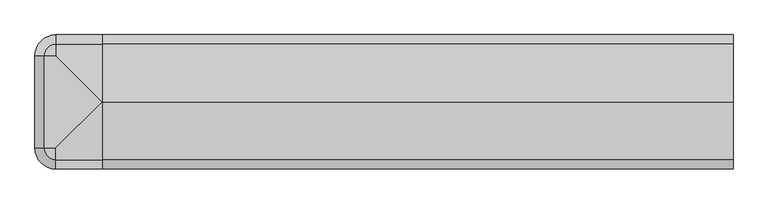
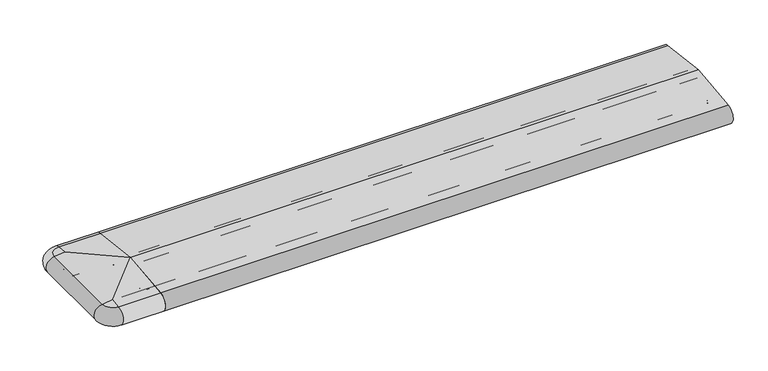
"""IFC4 building model written with IfcOpenShell, lengths in millimetres: proxy geometry."""

from ifc_helpers import new_model, si_unit, point, frame, frame_2d, origin, place, context, project, spatial, polyline, circle_curve, ellipse_curve, trimmed, segment, composite_curve, outline, extrude, source, transform, mapped, element, save
from ifc_brep_helpers import plane_surface, cylinder_surface, revolved_surface, advanced_brep


def generic_models_6e12fa00(model_context):
    return source(origin(), model_context, "Body", "SolidModel", [
        advanced_brep(
        [(-110.0, 28.0858073, 50.4091909), (-110.0, 26.5981483, 2.5074549), (-136.5981483, 0.0, 2.5074549), (-138.0858073, 0.0, 50.4091909), (-110.0, 25.7072001, 3.0071443), (-135.7072001, 0.0, 3.0071443), (-110.0, 23.6905989, 6.5), (-133.6905989, 0.0, 6.5), (-110.0, 21.9585481, 7.5), (-131.9585481, 0.0, 7.5), (0.0, 21.9585481, 7.5), (0.0, 5.4848276, 7.5), (-110.0, 5.4848276, 7.5), (-115.4848276, 0.0, 7.5), (-115.4848276, -220.0, 7.5), (-110.0, -225.4848276, 7.5), (0.0, -225.4848276, 7.5), (0.0, -241.9585481, 7.5), (-110.0, -241.9585481, 7.5), (-131.9585481, -220.0, 7.5), (-110.0, 3.7527767, 6.5), (-113.7527767, 0.0, 6.5), (-110.0, 0.0, 0.0), (-110.0, 0.0, 53.7462575), (0.0, 25.7072001, 3.0071443), (0.0, 26.5981483, 2.5074549), (0.0, 23.6905989, 6.5), (0.0, 3.7527767, 6.5), (0.0, 0.0, 0.0), (0.0, 28.0858073, 50.4091909), (0.0, -35.5, 0.0), (0.0, -110.0, 66.8161089), (0.0, -248.0858073, 50.4091909), (0.0, -246.5981483, 2.5074549), (0.0, -245.7072001, 3.0071443), (0.0, -243.6905989, 6.5), (0.0, -223.7527767, 6.5), (0.0, -220.0, 0.0), (0.0, -184.5, 0.0), (0.0, -183.5, 1.0), (0.0, -183.5, 7.0), (0.0, -181.5, 9.0), (0.0, -158.5, 9.0), (0.0, -156.5, 7.0), (0.0, -156.5, 1.0), (0.0, -155.5, 0.0), (0.0, -64.5, 0.0), (0.0, -63.5, 1.0), (0.0, -63.5, 7.0), (0.0, -61.5, 9.0), (0.0, -38.5, 9.0), (0.0, -36.5, 7.0), (0.0, -36.5, 1.0), (0.0, -202.220606, 23.1932995), (0.0, -190.220606, 23.1932995), (0.0, -162.5, 27.912776), (0.0, -150.5, 27.912776), (0.0, -117.9558517, 33.3783502), (0.0, -102.0441483, 33.3783502), (0.0, -69.5, 27.912776), (0.0, -57.5, 27.912776), (0.0, -29.779394, 23.1932995), (0.0, -17.779394, 23.1932995), (-110.0, -36.5, 1.0), (-110.0, -35.5, 0.0), (-110.0, -36.5, 7.0), (-110.0, -38.5, 9.0), (-110.0, -61.5, 9.0), (-110.0, -63.5, 7.0), (-110.0, -63.5, 1.0), (-110.0, -64.5, 0.0), (-110.0, -155.5, 0.0), (-110.0, -156.5, 1.0), (-110.0, -156.5, 7.0), (-110.0, -158.5, 9.0), (-110.0, -181.5, 9.0), (-110.0, -183.5, 7.0), (-110.0, -183.5, 1.0), (-110.0, -184.5, 0.0), (-110.0, -220.0, 0.0), (-110.0, -220.0, 53.7462575), (-110.0, -248.0858073, 50.4091909), (-110.0, -190.220606, 23.1932995), (-110.0, -202.220606, 23.1932995), (-110.0, -150.5, 27.912776), (-110.0, -162.5, 27.912776), (-110.0, -102.0441483, 33.3783502), (-110.0, -117.9558517, 33.3783502), (-110.0, -57.5, 27.912776), (-110.0, -69.5, 27.912776), (-110.0, -17.779394, 23.1932995), (-110.0, -29.779394, 23.1932995), (-138.0858073, -220.0, 50.4091909), (-110.0, -246.5981483, 2.5074549), (-110.0, -245.7072001, 3.0071443), (-110.0, -243.6905989, 6.5), (-110.0, -223.7527767, 6.5), (-135.7072001, -220.0, 3.0071443), (-136.5981483, -220.0, 2.5074549), (-133.6905989, -220.0, 6.5), (-113.7527767, -220.0, 6.5)],
        [
            (0, 1, circle_curve(frame((-110.0, 26.0, 26.5), z_axis=(-1.0, 0.0, 0.0), x_axis=(0.0, 0.08690863944627836, 0.9962162859487877)), 24.0)),
            (1, 2, circle_curve(frame((-110.0, 0.0, 2.5074549), z_axis=(0.0, 0.0, 1.0), x_axis=(-1.0, 0.0, 0.0)), 26.5981483)),
            (2, 3, circle_curve(frame((-136.0, 0.0, 26.5), z_axis=(0.0, 1.0, 0.0), x_axis=(-0.08690863944627836, 0.0, 0.9962162859487877)), 24.0)),
            (3, 0, circle_curve(frame((-110.0, 0.0, 50.4091909), z_axis=(0.0, 0.0, -1.0), x_axis=(-1.0, 0.0, 0.0)), 28.0858073)),
            (1, 4, circle_curve(frame((-110.0, 26.5732255, 3.5071443), z_axis=(-1.0000000000000002, 0.0, 0.0), x_axis=(0.0, 0.024922847684081085, -0.999689377588517)), 1.0)),
            (4, 5, circle_curve(frame((-110.0, 0.0, 3.0071443), z_axis=(0.0, 0.0, 1.0), x_axis=(-1.0, 0.0, 0.0)), 25.7072001)),
            (5, 2, circle_curve(frame((-136.5732255, 0.0, 3.5071443), z_axis=(0.0, 1.0000000000000002, 0.0), x_axis=(-0.024922847684081085, 0.0, -0.999689377588517)), 1.0)),
            (4, 6),
            (6, 7, circle_curve(frame((-110.0, 0.0, 6.5), z_axis=(0.0, 0.0, 1.0), x_axis=(-1.0, 0.0, 0.0)), 23.6905989)),
            (7, 5),
            (6, 8, circle_curve(frame((-110.0, 21.9585481, 5.5), z_axis=(1.0, 0.0, 0.0), x_axis=(0.0, 0.8660254037844379, 0.5000000000000012)), 2.0)),
            (8, 9, circle_curve(frame((-110.0, 0.0, 7.5), z_axis=(0.0, 0.0, 1.0), x_axis=(-1.0, 0.0, 0.0)), 21.9585481)),
            (9, 7, circle_curve(frame((-131.9585481, 0.0, 5.5), z_axis=(0.0, -1.0, 0.0), x_axis=(-0.8660254037844379, 0.0, 0.5000000000000012)), 2.0)),
            (8, 10),
            (10, 11),
            (11, 12),
            (12, 13, circle_curve(frame((-110.0, 0.0, 7.5), z_axis=(0.0, 0.0, 1.0), x_axis=(-1.0, 0.0, 0.0)), 5.4848276)),
            (13, 14),
            (14, 15, circle_curve(frame((-110.0, -220.0, 7.5), z_axis=(0.0, 0.0, 1.0), x_axis=(-1.0, 0.0, 0.0)), 5.4848276)),
            (15, 16),
            (16, 17),
            (17, 18),
            (18, 19, circle_curve(frame((-110.0, -220.0, 7.5), z_axis=(0.0, 0.0, -1.0), x_axis=(-1.0, 0.0, 0.0)), 21.9585481)),
            (19, 9),
            (12, 20, circle_curve(frame((-110.0, 5.4848276, 5.5), z_axis=(1.0, 0.0, 0.0), x_axis=(0.0, 0.0, 1.0)), 2.0)),
            (20, 21, circle_curve(frame((-110.0, 0.0, 6.5), z_axis=(0.0, 0.0, 1.0), x_axis=(-1.0, 0.0, 0.0)), 3.7527767)),
            (21, 13, circle_curve(frame((-115.4848276, 0.0, 5.5), z_axis=(0.0, -1.0, 0.0), x_axis=(0.0, 0.0, 1.0)), 2.0)),
            (20, 22),
            (22, 21),
            (3, 23),
            (23, 0),
            (24, 4),
            (1, 25),
            (25, 24, circle_curve(frame((0.0, 26.5732255, 3.5071443), z_axis=(-1.0, 0.0, 0.0), x_axis=(0.0, 0.024922847684081085, -0.999689377588517)), 1.0)),
            (26, 6),
            (24, 26),
            (26, 10, circle_curve(frame((0.0, 21.9585481, 5.5), z_axis=(1.0, 0.0, 0.0), x_axis=(0.0, 0.8660254037844379, 0.5000000000000012)), 2.0)),
            (27, 20),
            (11, 27, circle_curve(frame((0.0, 5.4848276, 5.5), z_axis=(1.0, 0.0, 0.0), x_axis=(0.0, 0.0, 1.0)), 2.0)),
            (28, 22),
            (27, 28),
            (0, 29),
            (29, 25, circle_curve(frame((0.0, 26.0, 26.5), z_axis=(-1.0, 0.0, 0.0), x_axis=(0.0, 0.08690863944627836, 0.9962162859487877)), 24.0)),
            (30, 28),
            (29, 31),
            (31, 32),
            (32, 33, circle_curve(frame((0.0, -246.0, 26.5), z_axis=(1.0, 0.0, 0.0), x_axis=(0.0, -0.08690863944627836, 0.9962162859487877)), 24.0)),
            (33, 34, circle_curve(frame((0.0, -246.5732255, 3.5071443), z_axis=(1.0, 0.0, 0.0), x_axis=(0.0, -0.024922847684081085, -0.999689377588517)), 1.0)),
            (34, 35),
            (35, 17, circle_curve(frame((0.0, -241.9585481, 5.5), z_axis=(-1.0, 0.0, 0.0), x_axis=(0.0, -0.8660254037844379, 0.5000000000000012)), 2.0)),
            (16, 36, circle_curve(frame((0.0, -225.4848276, 5.5), z_axis=(-1.0, 0.0, 0.0), x_axis=(0.0, 0.0, 1.0)), 2.0)),
            (36, 37),
            (37, 38),
            (38, 39, circle_curve(frame((0.0, -184.5, 1.0), z_axis=(1.0, 0.0, 0.0), x_axis=(0.0, 0.0, -1.0)), 1.0)),
            (39, 40),
            (40, 41, circle_curve(frame((0.0, -181.5, 7.0), z_axis=(-1.0, 0.0, 0.0), x_axis=(0.0, -1.0, 0.0)), 2.0)),
            (41, 42),
            (42, 43, circle_curve(frame((0.0, -158.5, 7.0), z_axis=(-1.0, 0.0, 0.0), x_axis=(0.0, 0.0, 1.0)), 2.0)),
            (43, 44),
            (44, 45, circle_curve(frame((0.0, -155.5, 1.0), z_axis=(1.0, 0.0, 0.0), x_axis=(0.0, -1.0, 0.0)), 1.0)),
            (45, 46),
            (46, 47, circle_curve(frame((0.0, -64.5, 1.0), z_axis=(1.0, 0.0, 0.0), x_axis=(0.0, 1.0, 0.0)), 1.0)),
            (47, 48),
            (48, 49, circle_curve(frame((0.0, -61.5, 7.0), z_axis=(-1.0, 0.0, 0.0), x_axis=(0.0, 0.0, 1.0)), 2.0)),
            (49, 50),
            (50, 51, circle_curve(frame((0.0, -38.5, 7.0), z_axis=(-1.0, 0.0, 0.0), x_axis=(0.0, 1.0, 0.0)), 2.0)),
            (51, 52),
            (52, 30, circle_curve(frame((0.0, -35.5, 1.0), z_axis=(1.0, 0.0, 0.0), x_axis=(0.0, 0.0, -1.0)), 1.0)),
            (53, 54, circle_curve(frame((0.0, -196.220606, 23.1932995), z_axis=(-1.0, 0.0, 0.0), x_axis=(0.0, 1.0, 0.0)), 6.0)),
            (54, 53, circle_curve(frame((0.0, -196.220606, 23.1932995), z_axis=(-1.0, 0.0, 0.0), x_axis=(0.0, 1.0, 0.0)), 6.0)),
            (55, 56, circle_curve(frame((0.0, -156.5, 27.912776), z_axis=(-1.0, 0.0, 0.0), x_axis=(0.0, 1.0, 0.0)), 6.0)),
            (56, 55, circle_curve(frame((0.0, -156.5, 27.912776), z_axis=(-1.0, 0.0, 0.0), x_axis=(0.0, 1.0, 0.0)), 6.0)),
            (57, 58, circle_curve(frame((0.0, -110.0, 33.3783502), z_axis=(-1.0, 0.0, 0.0), x_axis=(0.0, 1.0, 0.0)), 7.9558517)),
            (58, 57, circle_curve(frame((0.0, -110.0, 33.3783502), z_axis=(-1.0, 0.0, 0.0), x_axis=(0.0, 1.0, 0.0)), 7.9558517)),
            (59, 60, circle_curve(frame((0.0, -63.5, 27.912776), z_axis=(-1.0, 0.0, 0.0), x_axis=(0.0, 1.0, 0.0)), 6.0)),
            (60, 59, circle_curve(frame((0.0, -63.5, 27.912776), z_axis=(-1.0, 0.0, 0.0), x_axis=(0.0, 1.0, 0.0)), 6.0)),
            (61, 62, circle_curve(frame((0.0, -23.779394, 23.1932995), z_axis=(-1.0, 0.0, 0.0), x_axis=(0.0, 1.0, 0.0)), 6.0)),
            (62, 61, circle_curve(frame((0.0, -23.779394, 23.1932995), z_axis=(-1.0, 0.0, 0.0), x_axis=(0.0, 1.0, 0.0)), 6.0)),
            (52, 63),
            (63, 64, circle_curve(frame((-110.0, -35.5, 1.0), z_axis=(1.0, 0.0, 0.0), x_axis=(0.0, 0.0, -1.0)), 1.0)),
            (64, 30),
            (51, 65),
            (65, 63),
            (50, 66),
            (66, 65, circle_curve(frame((-110.0, -38.5, 7.0), z_axis=(-1.0, 0.0, 0.0), x_axis=(0.0, 1.0, 0.0)), 2.0)),
            (49, 67),
            (67, 66),
            (48, 68),
            (68, 67, circle_curve(frame((-110.0, -61.5, 7.0), z_axis=(-1.0, 0.0, 0.0), x_axis=(0.0, 0.0, 1.0)), 2.0)),
            (47, 69),
            (69, 68),
            (46, 70),
            (70, 69, circle_curve(frame((-110.0, -64.5, 1.0), z_axis=(1.0, 0.0, 0.0), x_axis=(0.0, 1.0, 0.0)), 1.0)),
            (45, 71),
            (71, 70),
            (44, 72),
            (72, 71, circle_curve(frame((-110.0, -155.5, 1.0), z_axis=(1.0, 0.0, 0.0), x_axis=(0.0, -1.0, 0.0)), 1.0)),
            (43, 73),
            (73, 72),
            (42, 74),
            (74, 73, circle_curve(frame((-110.0, -158.5, 7.0), z_axis=(-1.0, 0.0, 0.0), x_axis=(0.0, 0.0, 1.0)), 2.0)),
            (41, 75),
            (75, 74),
            (40, 76),
            (76, 75, circle_curve(frame((-110.0, -181.5, 7.0), z_axis=(-1.0, 0.0, 0.0), x_axis=(0.0, -1.0, 0.0)), 2.0)),
            (39, 77),
            (77, 76),
            (38, 78),
            (78, 77, circle_curve(frame((-110.0, -184.5, 1.0), z_axis=(1.0, 0.0, 0.0), x_axis=(0.0, 0.0, -1.0)), 1.0)),
            (37, 79),
            (79, 78),
            (80, 81),
            (81, 32),
            (31, 80),
            (23, 31),
            (64, 22),
            (54, 82),
            (82, 83, circle_curve(frame((-110.0, -196.220606, 23.1932995), z_axis=(-1.0, 0.0, 0.0), x_axis=(0.0, 1.0, 0.0)), 6.0)),
            (83, 53),
            (83, 82, circle_curve(frame((-110.0, -196.220606, 23.1932995), z_axis=(-1.0, 0.0, 0.0), x_axis=(0.0, 1.0, 0.0)), 6.0)),
            (56, 84),
            (84, 85, circle_curve(frame((-110.0, -156.5, 27.912776), z_axis=(-1.0, 0.0, 0.0), x_axis=(0.0, 1.0, 0.0)), 6.0)),
            (85, 55),
            (85, 84, circle_curve(frame((-110.0, -156.5, 27.912776), z_axis=(-1.0, 0.0, 0.0), x_axis=(0.0, 1.0, 0.0)), 6.0)),
            (58, 86),
            (86, 87, circle_curve(frame((-110.0, -110.0, 33.3783502), z_axis=(-1.0, 0.0, 0.0), x_axis=(0.0, 1.0, 0.0)), 7.9558517)),
            (87, 57),
            (87, 86, circle_curve(frame((-110.0, -110.0, 33.3783502), z_axis=(-1.0, 0.0, 0.0), x_axis=(0.0, 1.0, 0.0)), 7.9558517)),
            (60, 88),
            (88, 89, circle_curve(frame((-110.0, -63.5, 27.912776), z_axis=(-1.0, 0.0, 0.0), x_axis=(0.0, 1.0, 0.0)), 6.0)),
            (89, 59),
            (89, 88, circle_curve(frame((-110.0, -63.5, 27.912776), z_axis=(-1.0, 0.0, 0.0), x_axis=(0.0, 1.0, 0.0)), 6.0)),
            (62, 90),
            (90, 91, circle_curve(frame((-110.0, -23.779394, 23.1932995), z_axis=(-1.0, 0.0, 0.0), x_axis=(0.0, 1.0, 0.0)), 6.0)),
            (91, 61),
            (91, 90, circle_curve(frame((-110.0, -23.779394, 23.1932995), z_axis=(-1.0, 0.0, 0.0), x_axis=(0.0, 1.0, 0.0)), 6.0)),
            (3, 92),
            (92, 80),
            (33, 93),
            (93, 94, circle_curve(frame((-110.0, -246.5732255, 3.5071443), z_axis=(1.0, 0.0, 0.0), x_axis=(0.0, -0.024922847684081085, -0.999689377588517)), 1.0)),
            (94, 34),
            (94, 95),
            (95, 35),
            (95, 18, circle_curve(frame((-110.0, -241.9585481, 5.5), z_axis=(-1.0, 0.0, 0.0), x_axis=(0.0, -0.8660254037844379, 0.5000000000000012)), 2.0)),
            (15, 96, circle_curve(frame((-110.0, -225.4848276, 5.5), z_axis=(-1.0, 0.0, 0.0), x_axis=(0.0, 0.0, 1.0)), 2.0)),
            (96, 36),
            (96, 79),
            (81, 93, circle_curve(frame((-110.0, -246.0, 26.5), z_axis=(1.0, 0.0, 0.0), x_axis=(0.0, -0.08690863944627836, 0.9962162859487877)), 24.0)),
            (5, 97),
            (97, 98, circle_curve(frame((-136.5732255, -220.0, 3.5071443), z_axis=(0.0, 1.0, 0.0), x_axis=(-0.024922847684081085, 0.0, -0.999689377588517)), 1.0)),
            (98, 2),
            (7, 99),
            (99, 97),
            (19, 99, circle_curve(frame((-131.9585481, -220.0, 5.5), z_axis=(0.0, -1.0, 0.0), x_axis=(-0.8660254037844379, 0.0, 0.5000000000000012)), 2.0)),
            (21, 100),
            (100, 14, circle_curve(frame((-115.4848276, -220.0, 5.5), z_axis=(0.0, -1.0, 0.0), x_axis=(0.0, 0.0, 1.0)), 2.0)),
            (64, 70),
            (71, 78),
            (79, 100),
            (98, 92, circle_curve(frame((-136.0, -220.0, 26.5), z_axis=(0.0, 1.0, 0.0), x_axis=(-0.08690863944627836, 0.0, 0.9962162859487877)), 24.0)),
            (96, 100, circle_curve(frame((-110.0, -220.0, 6.5), z_axis=(0.0, 0.0, -1.0), x_axis=(-1.0, 0.0, 0.0)), 3.7527767)),
            (95, 99, circle_curve(frame((-110.0, -220.0, 6.5), z_axis=(0.0, 0.0, -1.0), x_axis=(-1.0, 0.0, 0.0)), 23.6905989)),
            (94, 97, circle_curve(frame((-110.0, -220.0, 3.0071443), z_axis=(0.0, 0.0, -1.0), x_axis=(-1.0, 0.0, 0.0)), 25.7072001)),
            (93, 98, circle_curve(frame((-110.0, -220.0, 2.5074549), z_axis=(0.0, 0.0, -1.0), x_axis=(-1.0, 0.0, 0.0)), 26.5981483)),
            (81, 92, circle_curve(frame((-110.0, -220.0, 50.4091909), z_axis=(0.0, 0.0, -1.0), x_axis=(-1.0, 0.0, 0.0)), 28.0858073)),
        ],
        [
            revolved_surface(trimmed(ellipse_curve(frame((-136.0, 0.0, 26.5), z_axis=(0.0, -1.0, 0.0), x_axis=(-0.08690863944627836, 0.0, 0.9962162859487877)), 24.0, 24.0), [point((-138.0858073, 0.0, 50.4091909))], [point((-136.5981483, 0.0, 2.5074549))], True, "CARTESIAN"), (-110.0, 0.0, 53.7462575), (0.0, 0.0, -1.0)),
            revolved_surface(trimmed(ellipse_curve(frame((-136.5732255, 0.0, 3.5071443), z_axis=(0.0, -1.0000000000000002, 0.0), x_axis=(-0.024922847684081085, 0.0, -0.999689377588517)), 1.0, 1.0), [point((-136.5981483, 0.0, 2.5074549))], [point((-135.7072001, 0.0, 3.0071443))], True, "CARTESIAN"), (-110.0, 0.0, 53.7462575), (0.0, 0.0, -1.0)),
            revolved_surface(polyline([(-135.7072001, 0.0, 3.0071443), (-133.6905989, 0.0, 6.5)]), (-110.0, 0.0, 53.7462575), (0.0, 0.0, -1.0)),
            revolved_surface(trimmed(ellipse_curve(frame((-131.9585481, 0.0, 5.5), z_axis=(0.0, 1.0, 0.0), x_axis=(-0.8660254037844379, 0.0, 0.5000000000000012)), 2.0, 2.0), [point((-133.6905989, 0.0, 6.5))], [point((-131.9585481, 0.0, 7.5))], True, "CARTESIAN"), (-110.0, 0.0, 53.7462575), (0.0, 0.0, -1.0)),
            plane_surface(frame((-110.0, 0.0, 7.5), z_axis=(0.0, 0.0, -1.0), x_axis=(-1.0, 0.0, 0.0))),
            revolved_surface(trimmed(ellipse_curve(frame((-115.4848276, 0.0, 5.5), z_axis=(0.0, 1.0, 0.0), x_axis=(0.0, 0.0, 1.0)), 2.0, 2.0), [point((-115.4848276, 0.0, 7.5))], [point((-113.7527767, 0.0, 6.5))], True, "CARTESIAN"), (-110.0, 0.0, 53.7462575), (0.0, 0.0, -1.0)),
            revolved_surface(polyline([(-113.7527767, 0.0, 6.5), (-110.0, 0.0, 0.0)]), (-110.0, 0.0, 53.7462575), (0.0, 0.0, -1.0)),
            revolved_surface(polyline([(-110.0, 0.0, 53.7462575), (-138.0858073, 0.0, 50.4091909)]), (-110.0, 0.0, 53.7462575), (0.0, 0.0, -1.0)),
            cylinder_surface(frame((0.0, 26.5732255, 3.5071443), z_axis=(1.0000000000000002, 0.0, 0.0), x_axis=(0.0, 0.024922847684081085, -0.999689377588517)), 1.0),
            plane_surface(frame((0.0, 25.7072001, 3.0071443), z_axis=(0.0, -0.8660254037844368, -0.5000000000000032), x_axis=(-1.0, 0.0, 0.0))),
            revolved_surface(polyline([(-110.0, 23.690598907568877, 6.500000000000003), (0.0, 23.690598907568877, 6.500000000000003)]), (0.0, 21.9585481, 5.5), (-1.0, 0.0, 0.0)),
            revolved_surface(polyline([(-110.0, 5.4848276, 7.5), (0.0, 5.4848276, 7.5)]), (0.0, 5.4848276, 5.5), (-1.0, 0.0, 0.0)),
            plane_surface(frame((0.0, 3.7527767, 6.5), z_axis=(0.0, 0.8660254037844349, -0.5000000000000064), x_axis=(-1.0, 0.0, 0.0))),
            cylinder_surface(frame((0.0, 26.0, 26.5), z_axis=(1.0, 0.0, 0.0), x_axis=(0.0, 0.08690863944627836, 0.9962162859487877)), 24.0),
            plane_surface(frame((0.0, 0.0, 0.0), z_axis=(1.0, 0.0, 0.0), x_axis=(0.0, 0.0, 1.0))),
            cylinder_surface(frame((0.0, -35.5, 1.0), z_axis=(1.0, 0.0, 0.0), x_axis=(0.0, 0.0, -1.0)), 1.0),
            plane_surface(frame((0.0, -36.5, 1.0), z_axis=(0.0, -1.0, 0.0), x_axis=(-1.0, 0.0, 0.0))),
            revolved_surface(polyline([(-110.0, -36.5, 7.0), (0.0, -36.5, 7.0)]), (0.0, -38.5, 7.0), (-1.0, 0.0, 0.0)),
            plane_surface(frame((0.0, -38.5, 9.0), z_axis=(0.0, 0.0, -1.0), x_axis=(-1.0, 0.0, 0.0))),
            revolved_surface(polyline([(-110.0, -61.5, 9.0), (0.0, -61.5, 9.0)]), (0.0, -61.5, 7.0), (-1.0, 0.0, 0.0)),
            plane_surface(frame((0.0, -63.5, 7.0), z_axis=(0.0, 1.0, 0.0), x_axis=(-1.0, 0.0, 0.0))),
            cylinder_surface(frame((0.0, -64.5, 1.0), z_axis=(1.0, 0.0, 0.0), x_axis=(0.0, 1.0, 0.0)), 1.0),
            plane_surface(frame((0.0, -64.5, 0.0), z_axis=(0.0, 0.0, -1.0), x_axis=(-1.0, 0.0, 0.0))),
            cylinder_surface(frame((0.0, -155.5, 1.0), z_axis=(1.0, 0.0, 0.0), x_axis=(0.0, -1.0, 0.0)), 1.0),
            plane_surface(frame((0.0, -156.5, 1.0), z_axis=(0.0, -1.0, 0.0), x_axis=(-1.0, 0.0, 0.0))),
            revolved_surface(polyline([(-110.0, -158.5, 9.0), (0.0, -158.5, 9.0)]), (0.0, -158.5, 7.0), (-1.0, 0.0, 0.0)),
            plane_surface(frame((0.0, -158.5, 9.0), z_axis=(0.0, 0.0, -1.0), x_axis=(-1.0, 0.0, 0.0))),
            revolved_surface(polyline([(-110.0, -183.5, 7.0), (0.0, -183.5, 7.0)]), (0.0, -181.5, 7.0), (-1.0, 0.0, 0.0)),
            plane_surface(frame((0.0, -183.5, 7.0), z_axis=(0.0, 1.0, 0.0), x_axis=(-1.0, 0.0, 0.0))),
            cylinder_surface(frame((0.0, -184.5, 1.0), z_axis=(1.0, 0.0, 0.0), x_axis=(0.0, 0.0, -1.0)), 1.0),
            plane_surface(frame((0.0, -184.5, 0.0), z_axis=(0.0, 0.0, -1.0), x_axis=(-1.0, 0.0, 0.0))),
            plane_surface(frame((0.0, -220.0, 53.7462575), z_axis=(0.0, -0.11798691299107526, 0.9930151501174777), x_axis=(-1.0, 0.0, 0.0))),
            plane_surface(frame((0.0, -110.0, 66.8161089), z_axis=(0.0, 0.11798691299107526, 0.9930151501174777), x_axis=(-1.0, 0.0, 0.0))),
            plane_surface(frame((0.0, 0.0, 0.0), z_axis=(0.0, 0.0, -1.0), x_axis=(-1.0, 0.0, 0.0))),
            revolved_surface(polyline([(-110.0, -190.220606, 23.1932995), (0.0, -190.220606, 23.1932995)]), (0.0, -196.220606, 23.1932995), (-1.0, 0.0, 0.0)),
            revolved_surface(polyline([(-110.0, -150.5, 27.912776), (0.0, -150.5, 27.912776)]), (0.0, -156.5, 27.912776), (-1.0, 0.0, 0.0)),
            revolved_surface(polyline([(-110.0, -102.0441483, 33.3783502), (0.0, -102.0441483, 33.3783502)]), (0.0, -110.0, 33.3783502), (-1.0, 0.0, 0.0)),
            revolved_surface(polyline([(-110.0, -57.5, 27.912776), (0.0, -57.5, 27.912776)]), (0.0, -63.5, 27.912776), (-1.0, 0.0, 0.0)),
            revolved_surface(polyline([(-110.0, -17.779394, 23.1932995), (0.0, -17.779394, 23.1932995)]), (0.0, -23.779394, 23.1932995), (-1.0, 0.0, 0.0)),
            plane_surface(frame((0.0, -250.0, 66.8161089), z_axis=(-0.11798691299108029, 0.0, 0.993015150117477), x_axis=(0.0, 1.0, 0.0))),
            cylinder_surface(frame((0.0, -246.5732255, 3.5071443), z_axis=(1.0000000000000002, 0.0, 0.0), x_axis=(0.0, -0.024922847684081085, -0.999689377588517)), 1.0),
            plane_surface(frame((0.0, -243.6905989, 6.5), z_axis=(0.0, 0.8660254037844368, -0.5000000000000032), x_axis=(-1.0, 0.0, 0.0))),
            revolved_surface(polyline([(-110.0, -243.69059890756887, 6.500000000000003), (0.0, -243.69059890756887, 6.500000000000003)]), (0.0, -241.9585481, 5.5), (-1.0, 0.0, 0.0)),
            revolved_surface(polyline([(-110.0, -225.4848276, 7.5), (0.0, -225.4848276, 7.5)]), (0.0, -225.4848276, 5.5), (-1.0, 0.0, 0.0)),
            plane_surface(frame((0.0, -220.0, 0.0), z_axis=(0.0, -0.8660254037844349, -0.5000000000000064), x_axis=(-1.0, 0.0, 0.0))),
            cylinder_surface(frame((0.0, -246.0, 26.5), z_axis=(1.0, 0.0, 0.0), x_axis=(0.0, -0.08690863944627836, 0.9962162859487877)), 24.0),
            cylinder_surface(frame((-136.5732255, 0.0, 3.5071443), z_axis=(0.0, 1.0000000000000002, 0.0), x_axis=(-0.024922847684081085, 0.0, -0.999689377588517)), 1.0),
            plane_surface(frame((-135.7072001, 0.0, 3.0071443), z_axis=(0.8660254037844368, 0.0, -0.5000000000000032), x_axis=(0.0, -1.0, 0.0))),
            revolved_surface(polyline([(-133.69059890756887, -220.0, 6.500000000000003), (-133.69059890756887, 0.0, 6.500000000000003)]), (-131.9585481, 0.0, 5.5), (0.0, -1.0, 0.0)),
            revolved_surface(polyline([(-115.4848276, -220.0, 7.5), (-115.4848276, 0.0, 7.5)]), (-115.4848276, 0.0, 5.5), (0.0, -1.0, 0.0)),
            plane_surface(frame((-113.7527767, 0.0, 6.5), z_axis=(-0.8660254037844349, 0.0, -0.5000000000000064), x_axis=(0.0, -1.0, 0.0))),
            plane_surface(frame((-110.0, 0.0, 0.0), z_axis=(1.0, 0.0, 0.0), x_axis=(0.0, -1.0, 0.0))),
            cylinder_surface(frame((-136.0, 0.0, 26.5), z_axis=(0.0, 1.0, 0.0), x_axis=(-0.08690863944627836, 0.0, 0.9962162859487877)), 24.0),
            revolved_surface(polyline([(-110.0, -220.0, 0.0), (-113.7527767, -220.0, 6.5)]), (-110.0, -220.0, 12.5), (0.0, 0.0, 1.0)),
            revolved_surface(trimmed(ellipse_curve(frame((-115.4848276, -220.0, 5.5), z_axis=(0.0, -1.0, 0.0), x_axis=(0.0, 0.0, 1.0)), 2.0, 2.0), [point((-113.7527767, -220.0, 6.5))], [point((-115.4848276, -220.0, 7.5))], True, "CARTESIAN"), (-110.0, -220.0, 12.5), (0.0, 0.0, 1.0)),
            revolved_surface(trimmed(ellipse_curve(frame((-131.9585481, -220.0, 5.5), z_axis=(0.0, -1.0, 0.0), x_axis=(-0.8660254037844379, 0.0, 0.5000000000000012)), 2.0, 2.0), [point((-131.9585481, -220.0, 7.5))], [point((-133.6905989, -220.0, 6.5))], True, "CARTESIAN"), (-110.0, -220.0, 12.5), (0.0, 0.0, 1.0)),
            revolved_surface(polyline([(-133.6905989, -220.0, 6.5), (-135.7072001, -220.0, 3.0071443)]), (-110.0, -220.0, 12.5), (0.0, 0.0, 1.0)),
            revolved_surface(trimmed(ellipse_curve(frame((-136.5732255, -220.0, 3.5071443), z_axis=(0.0, 1.0000000000000002, 0.0), x_axis=(-0.024922847684081085, 0.0, -0.999689377588517)), 1.0, 1.0), [point((-135.7072001, -220.0, 3.0071443))], [point((-136.5981483, -220.0, 2.5074549))], True, "CARTESIAN"), (-110.0, -220.0, 12.5), (0.0, 0.0, 1.0)),
            revolved_surface(trimmed(ellipse_curve(frame((-136.0, -220.0, 26.5), z_axis=(0.0, 1.0, 0.0), x_axis=(-0.08690863944627836, 0.0, 0.9962162859487877)), 24.0, 24.0), [point((-136.5981483, -220.0, 2.5074549))], [point((-138.0858073, -220.0, 50.4091909))], True, "CARTESIAN"), (-110.0, -220.0, 12.5), (0.0, 0.0, 1.0)),
            revolved_surface(polyline([(-138.0858073, -220.0, 50.4091909), (-110.0, -220.0, 53.7462575)]), (-110.0, -220.0, 12.5), (0.0, 0.0, 1.0)),
        ],
        [
            (0, [[1, 2, 3, 4]]),
            (1, [[5, 6, 7, -2]]),
            (2, [[8, 9, 10, -6]]),
            (3, [[11, 12, 13, -9]]),
            (4, [[14, 15, 16, 17, 18, 19, 20, 21, 22, 23, 24, -12]]),
            (5, [[25, 26, 27, -17]]),
            (6, [[28, 29, -26]]),
            (7, [[30, 31, -4]]),
            (8, [[32, -5, 33, 34]]),
            (9, [[35, -8, -32, 36]]),
            (10, [[-14, -11, -35, 37]]),
            (11, [[38, -25, -16, 39]]),
            (12, [[40, -28, -38, 41]]),
            (13, [[-33, -1, 42, 43]]),
            (14, [[44, -41, -39, -15, -37, -36, -34, -43, 45, 46, 47, 48, 49, 50, -21, 51, 52, 53, 54, 55, 56, 57, 58, 59, 60, 61, 62, 63, 64, 65, 66, 67, 68], [69, 70], [71, 72], [73, 74], [75, 76], [77, 78]]),
            (15, [[79, 80, 81, -68]]),
            (16, [[82, 83, -79, -67]]),
            (17, [[84, 85, -82, -66]]),
            (18, [[86, 87, -84, -65]]),
            (19, [[88, 89, -86, -64]]),
            (20, [[90, 91, -88, -63]]),
            (21, [[92, 93, -90, -62]]),
            (22, [[94, 95, -92, -61]]),
            (23, [[96, 97, -94, -60]]),
            (24, [[98, 99, -96, -59]]),
            (25, [[100, 101, -98, -58]]),
            (26, [[102, 103, -100, -57]]),
            (27, [[104, 105, -102, -56]]),
            (28, [[106, 107, -104, -55]]),
            (29, [[108, 109, -106, -54]]),
            (30, [[110, 111, -108, -53]]),
            (31, [[112, 113, -46, 114]]),
            (32, [[-45, -42, -31, 115]]),
            (33, [[-81, 116, -40, -44]]),
            (34, [[117, 118, 119, -70]]),
            (34, [[-119, 120, -117, -69]]),
            (35, [[121, 122, 123, -72]]),
            (35, [[-123, 124, -121, -71]]),
            (36, [[125, 126, 127, -74]]),
            (36, [[-127, 128, -125, -73]]),
            (37, [[129, 130, 131, -76]]),
            (37, [[-131, 132, -129, -75]]),
            (38, [[133, 134, 135, -78]]),
            (38, [[-135, 136, -133, -77]]),
            (39, [[-115, -30, 137, 138, -114]]),
            (40, [[139, 140, 141, -48]]),
            (41, [[-141, 142, 143, -49]]),
            (42, [[-143, 144, -22, -50]]),
            (43, [[-20, 145, 146, -51]]),
            (44, [[-146, 147, -110, -52]]),
            (45, [[-113, 148, -139, -47]]),
            (46, [[-7, 149, 150, 151]]),
            (47, [[-10, 152, 153, -149]]),
            (48, [[-13, -24, 154, -152]]),
            (49, [[-27, 155, 156, -18]]),
            (50, [[-29, -116, 157, -95, 158, -111, 159, -155]]),
            (51, [[-80, -83, -85, -87, -89, -91, -93, -157]]),
            (51, [[-97, -99, -101, -103, -105, -107, -109, -158]]),
            (51, [[-120, -118]]),
            (51, [[-124, -122]]),
            (51, [[-128, -126]]),
            (51, [[-132, -130]]),
            (51, [[-136, -134]]),
            (52, [[160, -137, -3, -151]]),
            (53, [[-159, -147, 161]]),
            (54, [[-145, -19, -156, -161]]),
            (55, [[-144, 162, -154, -23]]),
            (56, [[-142, 163, -153, -162]]),
            (57, [[-140, 164, -150, -163]]),
            (58, [[-148, 165, -160, -164]]),
            (59, [[-112, -138, -165]]),
        ],
    ),
        extrude(outline(composite_curve([segment(trimmed(circle_curve(frame_2d((26.5732255, 3.5071443)), 1.0), [point((26.5981483, 2.5074549))], [point((25.7072001, 3.0071443))], False, "CARTESIAN"), True, "CONTINUOUS"), segment(polyline([(25.7072001, 3.0071443), (23.6905989, 6.5)]), True, "CONTINUOUS"), segment(trimmed(circle_curve(frame_2d((21.9585481, 5.5)), 2.0), [point((23.6905989, 6.5))], [point((21.9585481, 7.5))], True, "CARTESIAN"), True, "CONTINUOUS"), segment(polyline([(21.9585481, 7.5), (5.4848276, 7.5)]), True, "CONTINUOUS"), segment(trimmed(circle_curve(frame_2d((5.4848276, 5.5)), 2.0), [point((5.4848276, 7.5))], [point((3.7527767, 6.5))], True, "CARTESIAN"), True, "CONTINUOUS"), segment(polyline([(3.7527767, 6.5), (0.2886751, 0.5)]), True, "CONTINUOUS"), segment(trimmed(circle_curve(frame_2d((-0.5773503, 1.0)), 1.0), [point((0.2886751, 0.5))], [point((-0.5773503, 0.0))], False, "CARTESIAN"), True, "CONTINUOUS"), segment(polyline([(-0.5773503, 0.0), (-35.5, 0.0)]), True, "CONTINUOUS"), segment(trimmed(circle_curve(frame_2d((-35.5, 1.0)), 1.0), [point((-35.5, 0.0))], [point((-36.5, 1.0))], False, "CARTESIAN"), True, "CONTINUOUS"), segment(polyline([(-36.5, 1.0), (-36.5, 7.0)]), True, "CONTINUOUS"), segment(trimmed(circle_curve(frame_2d((-38.5, 7.0)), 2.0), [point((-36.5, 7.0))], [point((-38.5, 9.0))], True, "CARTESIAN"), True, "CONTINUOUS"), segment(polyline([(-38.5, 9.0), (-61.5, 9.0)]), True, "CONTINUOUS"), segment(trimmed(circle_curve(frame_2d((-61.5, 7.0)), 2.0), [point((-61.5, 9.0))], [point((-63.5, 7.0))], True, "CARTESIAN"), True, "CONTINUOUS"), segment(polyline([(-63.5, 7.0), (-63.5, 1.0)]), True, "CONTINUOUS"), segment(trimmed(circle_curve(frame_2d((-64.5, 1.0)), 1.0), [point((-63.5, 1.0))], [point((-64.5, 0.0))], False, "CARTESIAN"), True, "CONTINUOUS"), segment(polyline([(-64.5, 0.0), (-155.5, 0.0)]), True, "CONTINUOUS"), segment(trimmed(circle_curve(frame_2d((-155.5, 1.0)), 1.0), [point((-155.5, 0.0))], [point((-156.5, 1.0))], False, "CARTESIAN"), True, "CONTINUOUS"), segment(polyline([(-156.5, 1.0), (-156.5, 7.0)]), True, "CONTINUOUS"), segment(trimmed(circle_curve(frame_2d((-158.5, 7.0)), 2.0), [point((-156.5, 7.0))], [point((-158.5, 9.0))], True, "CARTESIAN"), True, "CONTINUOUS"), segment(polyline([(-158.5, 9.0), (-181.5, 9.0)]), True, "CONTINUOUS"), segment(trimmed(circle_curve(frame_2d((-181.5, 7.0)), 2.0), [point((-181.5, 9.0))], [point((-183.5, 7.0))], True, "CARTESIAN"), True, "CONTINUOUS"), segment(polyline([(-183.5, 7.0), (-183.5, 1.0)]), True, "CONTINUOUS"), segment(trimmed(circle_curve(frame_2d((-184.5, 1.0)), 1.0), [point((-183.5, 1.0))], [point((-184.5, 0.0))], False, "CARTESIAN"), True, "CONTINUOUS"), segment(polyline([(-184.5, 0.0), (-219.4226497, 0.0)]), True, "CONTINUOUS"), segment(trimmed(circle_curve(frame_2d((-219.4226497, 1.0)), 1.0), [point((-219.4226497, 0.0))], [point((-220.2886751, 0.5))], False, "CARTESIAN"), True, "CONTINUOUS"), segment(polyline([(-220.2886751, 0.5), (-223.7527767, 6.5)]), True, "CONTINUOUS"), segment(trimmed(circle_curve(frame_2d((-225.4848276, 5.5)), 2.0), [point((-223.7527767, 6.5))], [point((-225.4848276, 7.5))], True, "CARTESIAN"), True, "CONTINUOUS"), segment(polyline([(-225.4848276, 7.5), (-241.9585481, 7.5)]), True, "CONTINUOUS"), segment(trimmed(circle_curve(frame_2d((-241.9585481, 5.5)), 2.0), [point((-241.9585481, 7.5))], [point((-243.6905989, 6.5))], True, "CARTESIAN"), True, "CONTINUOUS"), segment(polyline([(-243.6905989, 6.5), (-245.7072001, 3.0071443)]), True, "CONTINUOUS"), segment(trimmed(circle_curve(frame_2d((-246.5732255, 3.5071443)), 1.0), [point((-245.7072001, 3.0071443))], [point((-246.5981483, 2.5074549))], False, "CARTESIAN"), True, "CONTINUOUS"), segment(trimmed(circle_curve(frame_2d((-246.0, 26.5)), 24.0), [point((-246.5981483, 2.5074549))], [point((-248.0858073, 50.4091909))], False, "CARTESIAN"), True, "CONTINUOUS"), segment(polyline([(-248.0858073, 50.4091909), (-110.0, 66.8161089), (28.0858073, 50.4091909)]), True, "CONTINUOUS"), segment(trimmed(circle_curve(frame_2d((26.0, 26.5)), 24.0), [point((28.0858073, 50.4091909))], [point((26.5981483, 2.5074549))], False, "CARTESIAN"), True, "CONTINUOUS")], self_intersect=False), holes=[composite_curve([segment(trimmed(circle_curve(frame_2d((-196.220606, 23.1932995)), 6.0), [point((-202.220606, 23.1932995))], [point((-190.220606, 23.1932995))], True, "CARTESIAN"), True, "CONTINUOUS"), segment(trimmed(circle_curve(frame_2d((-196.220606, 23.1932995)), 6.0), [point((-190.220606, 23.1932995))], [point((-202.220606, 23.1932995))], True, "CARTESIAN"), True, "CONTINUOUS")], self_intersect=False), composite_curve([segment(trimmed(circle_curve(frame_2d((-110.0, 33.3783502)), 7.9558517), [point((-117.9558517, 33.3783502))], [point((-102.0441483, 33.3783502))], True, "CARTESIAN"), True, "CONTINUOUS"), segment(trimmed(circle_curve(frame_2d((-110.0, 33.3783502)), 7.9558517), [point((-102.0441483, 33.3783502))], [point((-117.9558517, 33.3783502))], True, "CARTESIAN"), True, "CONTINUOUS")], self_intersect=False), composite_curve([segment(trimmed(circle_curve(frame_2d((-63.5, 27.912776)), 6.0), [point((-69.5, 27.912776))], [point((-57.5, 27.912776))], True, "CARTESIAN"), True, "CONTINUOUS"), segment(trimmed(circle_curve(frame_2d((-63.5, 27.912776)), 6.0), [point((-57.5, 27.912776))], [point((-69.5, 27.912776))], True, "CARTESIAN"), True, "CONTINUOUS")], self_intersect=False), composite_curve([segment(trimmed(circle_curve(frame_2d((-23.779394, 23.1932995)), 6.0), [point((-29.779394, 23.1932995))], [point((-17.779394, 23.1932995))], True, "CARTESIAN"), True, "CONTINUOUS"), segment(trimmed(circle_curve(frame_2d((-23.779394, 23.1932995)), 6.0), [point((-17.779394, 23.1932995))], [point((-29.779394, 23.1932995))], True, "CARTESIAN"), True, "CONTINUOUS")], self_intersect=False), composite_curve([segment(trimmed(circle_curve(frame_2d((-156.5, 27.912776)), 6.0), [point((-162.5, 27.912776))], [point((-150.5, 27.912776))], True, "CARTESIAN"), True, "CONTINUOUS"), segment(trimmed(circle_curve(frame_2d((-156.5, 27.912776)), 6.0), [point((-150.5, 27.912776))], [point((-162.5, 27.912776))], True, "CARTESIAN"), True, "CONTINUOUS")], self_intersect=False)]), frame((0.0, 0.0, 0.0), z_axis=(1.0, 0.0, 0.0), x_axis=(0.0, 1.0, 0.0)), (0.0, 0.0, 1.0), 1500.0),
    ])


if __name__ == "__main__":
    model = new_model("IFC4")
    model_context = context("Model", 3, world=origin())
    ifc_project = project(units=[si_unit("LENGTHUNIT", "METRE", prefix="MILLI")], contexts=[model_context])
    site = spatial("IfcSite", under=ifc_project)
    building = spatial("IfcBuilding", under=site)
    placement = place(None, origin())
    generic_models_shape = generic_models_6e12fa00(model_context)
    element("IfcBuildingElementProxy", 1, Name="Generic Models", at=placement, inside=building, context=model_context, shape_type="MappedRepresentation", body=[
        mapped(generic_models_shape, transform((0.0, 0.0, 0.0), x_axis=(1.0, 0.0, 0.0), y_axis=(0.0, 1.0, 0.0), z_axis=(0.0, 0.0, 1.0))),
    ])
    save(model, "model.ifc")
